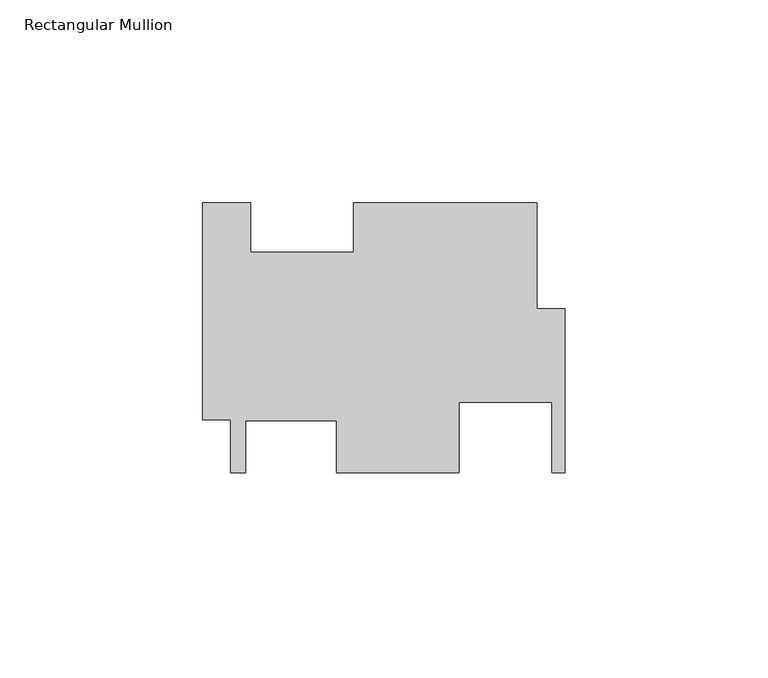
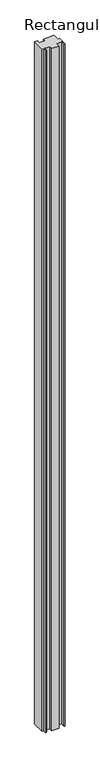
"""IFC4 building model written with IfcOpenShell, lengths in millimetres: member geometry, Rectangular Mullion."""

from ifc_helpers import new_model, si_unit, frame, origin, place, context, project, spatial, polyline, outline, extrude, source, transform, mapped, element, save


def rectangular_mullion_4df33999(model_context):
    return source(origin(), model_context, "Body", "SweptSolid", [
        extrude(outline(polyline([(-89.4588, -21.3723023), (-89.4588, 32.1200977), (-77.6224, 32.1200977), (-77.6224, 19.9026977), (-52.2224, 19.9026977), (-52.2224, 32.1200977), (-6.9088, 32.1200977), (-6.9088, 5.9254772), (0.0, 5.9254772), (0.0, -34.5621228), (-3.175, -34.5621228), (-3.175, -17.1377228), (-26.1112, -17.1377228), (-26.1112, -34.5621124), (-56.4388, -34.5621124), (-56.4388, -21.6335228), (-78.8162, -21.6335228), (-78.8162, -34.5621228), (-82.55, -34.5621228), (-82.55, -21.3723023), (-89.4588, -21.3723023)])), frame((0.0, 0.0, -3048.0), z_axis=(0.0, 0.0, 1.0), x_axis=(1.0, 0.0, 0.0)), (0.0, 0.0, 1.0), 3048.0),
    ])


if __name__ == "__main__":
    model = new_model("IFC4")
    model_context = context("Model", 3, world=origin())
    ifc_project = project(units=[si_unit("LENGTHUNIT", "METRE", prefix="MILLI")], contexts=[model_context])
    site = spatial("IfcSite", under=ifc_project)
    building = spatial("IfcBuilding", under=site)
    placement = place(None, origin())
    rectangular_mullion_shape = rectangular_mullion_4df33999(model_context)
    element("IfcMember", 1, ObjectType="Rectangular Mullion", at=placement, inside=building, context=model_context, shape_type="MappedRepresentation", body=[
        mapped(rectangular_mullion_shape, transform((0.0, 0.0, 0.0), x_axis=(1.0, 0.0, 0.0), y_axis=(0.0, 1.0, 0.0), z_axis=(0.0, 0.0, 1.0))),
    ])
    save(model, "model.ifc")
